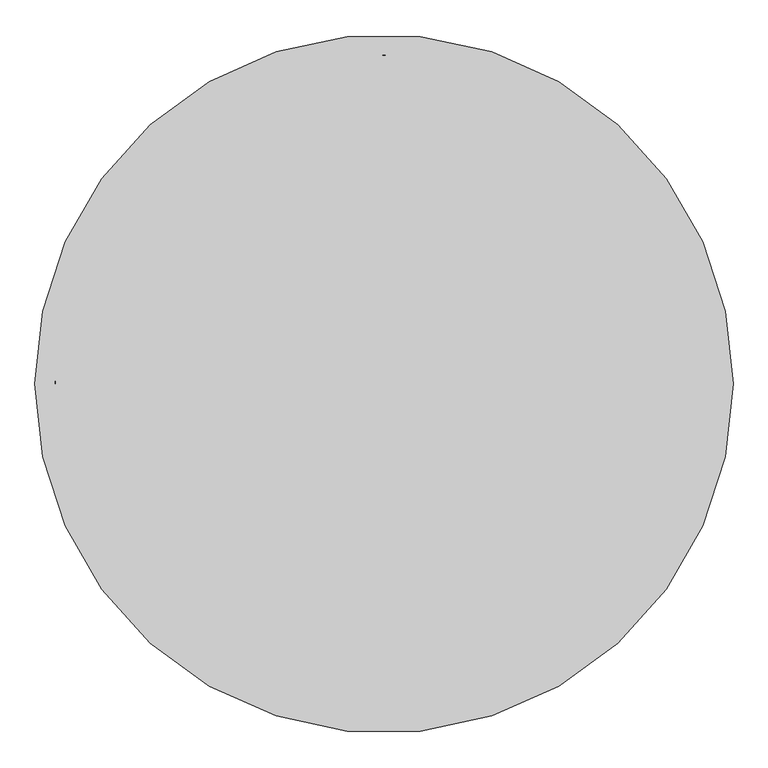
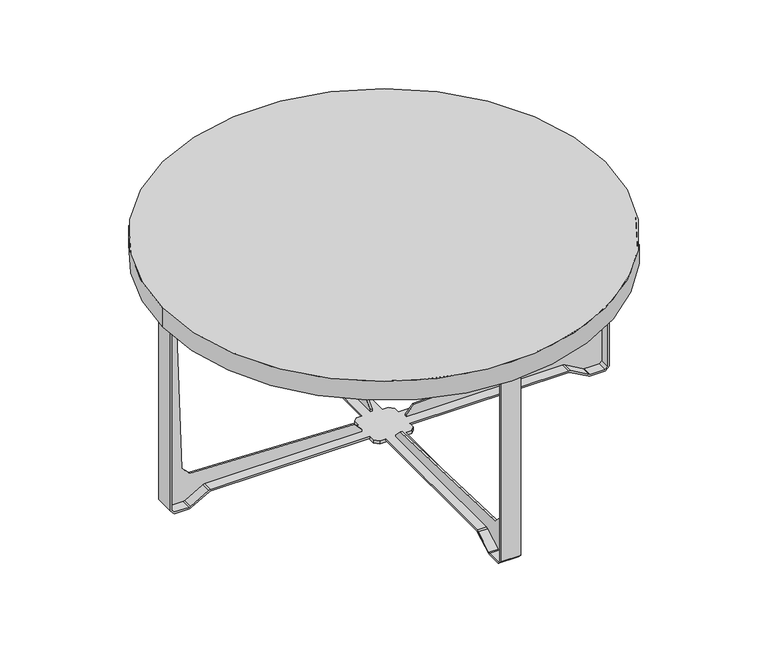
"""IFC4 building model written with IfcOpenShell, lengths in millimetres: furniture geometry."""

from ifc_helpers import new_model, si_unit, frame, origin, place, context, project, spatial, polyline, circle_curve, outline, extrude, faceted_brep, source, transform, mapped, element, save
from ifc_brep_helpers import plane_surface, cylinder_surface, revolved_surface, advanced_brep


def furniture_af420fcf(model_context):
    return source(origin(), model_context, "Body", "SolidModel", [
        advanced_brep(
        [(-550.0007309, 0.0, 530.0999834), (550.0007309, 0.0, 530.0999834), (-550.0007309, 0.0, 479.9999891), (550.0007309, 0.0, 479.9999891), (-546.000975, 0.0, 479.9999891), (546.000975, 0.0, 479.9999891), (-546.000975, 0.0, 526.0000156), (546.000975, 0.0, 526.0000156)],
        [
            (0, 1, circle_curve(frame((0.0, 0.0, 530.0999834), z_axis=(0.0, 0.0, 1.0), x_axis=(1.0, 0.0, 0.0)), 550.0007309)),
            (1, 0, circle_curve(frame((0.0, 0.0, 530.0999834), z_axis=(0.0, 0.0, 1.0), x_axis=(1.0, 0.0, 0.0)), 550.0007309)),
            (2, 3, circle_curve(frame((0.0, 0.0, 479.9999891), z_axis=(0.0, 0.0, -1.0), x_axis=(1.0, 0.0, 0.0)), 550.0007309)),
            (3, 2, circle_curve(frame((0.0, 0.0, 479.9999891), z_axis=(0.0, 0.0, -1.0), x_axis=(1.0, 0.0, 0.0)), 550.0007309)),
            (4, 5, circle_curve(frame((0.0, 0.0, 479.9999891), z_axis=(0.0, 0.0, 1.0), x_axis=(1.0, 0.0, 0.0)), 546.000975)),
            (5, 4, circle_curve(frame((0.0, 0.0, 479.9999891), z_axis=(0.0, 0.0, 1.0), x_axis=(1.0, 0.0, 0.0)), 546.000975)),
            (0, 2),
            (3, 1),
            (6, 7, circle_curve(frame((0.0, 0.0, 526.0000156), z_axis=(0.0, 0.0, -1.0), x_axis=(1.0, 0.0, 0.0)), 546.000975)),
            (7, 6, circle_curve(frame((0.0, 0.0, 526.0000156), z_axis=(0.0, 0.0, -1.0), x_axis=(1.0, 0.0, 0.0)), 546.000975)),
            (7, 5),
            (4, 6),
        ],
        [
            plane_surface(frame((550.0007309, 0.0, 530.0999834), z_axis=(0.0, 0.0, 1.0), x_axis=(0.0, 1.0, 0.0))),
            plane_surface(frame((550.0007309, 0.0, 479.9999891), z_axis=(0.0, 0.0, -1.0), x_axis=(0.0, -1.0, 0.0))),
            cylinder_surface(frame((0.0, 0.0, 479.9999891), z_axis=(0.0, 0.0, 1.0), x_axis=(1.0, 0.0, 0.0)), 550.0007309),
            plane_surface(frame((546.000975, 0.0, 526.0000156), z_axis=(0.0, 0.0, -1.0), x_axis=(0.0, 1.0, 0.0))),
            revolved_surface(polyline([(546.000975, 0.0, 526.0000156), (546.000975, 0.0, 479.9999891)]), (0.0, 0.0, 447.0), (0.0, 0.0, 1.0)),
        ],
        [
            (0, [[1, 2]]),
            (1, [[3, 4], [5, 6]]),
            (2, [[-1, 7, -4, 8]]),
            (2, [[-2, -8, -3, -7]]),
            (3, [[9, 10]]),
            (4, [[-10, 11, -5, 12]]),
            (4, [[-9, -12, -6, -11]]),
        ],
    ),
        faceted_brep([(-545.5010056, -25.0000002, 524.0189956), (-545.5010056, -25.0000002, 10.2005402), (-535.3004654, -25.0000002, 0.0), (-498.2329615, -25.0000002, 0.0), (-493.1332718, -25.0000002, 1.3665409), (-447.6387678, -25.0000002, 27.633231), (-444.5374008, -25.0000002, 28.4641011), (-50.0010178, -25.0000002, 28.4641011), (-50.0010178, -25.0000002, 32.4641022), (-444.5374008, -25.0000002, 32.4641022), (-449.6382523, -25.0000002, 31.0975613), (-495.1331497, -25.0000002, 4.8306423), (-498.2329605, -25.0000002, 4.0), (-535.3000873, -25.0000002, 4.0), (-541.500087, -25.0000002, 10.1999997), (-541.500087, -25.0000002, 524.0189956), (444.5374008, -25.0000002, 28.4641011), (447.6387678, -25.0000002, 27.633231), (493.1332718, -25.0000002, 1.3665409), (498.2329615, -25.0000002, 0.0), (535.3004654, -25.0000002, 0.0), (545.5010056, -25.0000002, 10.2005402), (545.5010056, -25.0000002, 524.0189956), (541.500087, -25.0000002, 524.0189956), (541.500087, -25.0000002, 10.1999997), (535.3000873, -25.0000002, 4.0), (498.2329605, -25.0000002, 4.0), (495.1331497, -25.0000002, 4.8306423), (449.6382523, -25.0000002, 31.0975613), (444.5374008, -25.0000002, 32.4641022), (49.999855, -25.0000002, 32.4641022), (49.999855, -25.0000002, 28.4641011), (-545.5010056, 25.0000002, 524.0189956), (-541.500087, 25.0000002, 524.0189956), (-541.500087, 25.0000002, 10.1999997), (-535.3000873, 25.0000002, 4.0), (-498.2329605, 25.0000002, 4.0), (-495.1331497, 25.0000002, 4.8306423), (-449.6382523, 25.0000002, 31.0975613), (-444.5374008, 25.0000002, 32.4641022), (-50.0010178, 25.0000002, 32.4641022), (-50.0010178, 25.0000002, 28.4641011), (-444.5374008, 25.0000002, 28.4641011), (-447.6387678, 25.0000002, 27.633231), (-493.1332718, 25.0000002, 1.3665409), (-498.2329615, 25.0000002, 0.0), (-535.3004654, 25.0000002, 0.0), (-545.5010056, 25.0000002, 10.2005402), (444.5374008, 25.0000002, 32.4641022), (449.6382523, 25.0000002, 31.0975613), (495.1331497, 25.0000002, 4.8306423), (498.2329605, 25.0000002, 4.0), (535.3000873, 25.0000002, 4.0), (541.500087, 25.0000002, 10.1999997), (541.500087, 25.0000002, 524.0189956), (545.5010056, 25.0000002, 524.0189956), (545.5010056, 25.0000002, 10.2005402), (535.3004654, 25.0000002, 0.0), (498.2329615, 25.0000002, 0.0), (493.1332718, 25.0000002, 1.3665409), (447.6387678, 25.0000002, 27.633231), (444.5374008, 25.0000002, 28.4641011), (49.999855, 25.0000002, 28.4641011), (49.999855, 25.0000002, 32.4641022), (49.999855, 39.999993, 32.4641022), (39.9998477, 50.0000004, 32.4641022), (25.0000002, 50.0000004, 32.4641022), (25.0000002, 444.5374008, 32.4641022), (-25.0000002, 444.5374008, 32.4641022), (-25.0000002, 50.0000004, 32.4641022), (-40.0010104, 50.0000004, 32.4641022), (-50.0010178, 39.999993, 32.4641022), (-50.0010178, -39.999993, 32.4641022), (-40.0010104, -50.0000004, 32.4641022), (-25.0000002, -50.0000004, 32.4641022), (-25.0000002, -444.5374008, 32.4641022), (25.0000002, -444.5374008, 32.4641022), (25.0000002, -50.0000004, 32.4641022), (39.9993027, -50.0000004, 32.4641022), (49.999855, -39.999448, 32.4641022), (-40.0010104, 50.0000004, 24.4641022), (39.9998477, 50.0000004, 24.4641022), (49.999855, 39.999993, 24.4641022), (49.999855, -39.999448, 24.4641022), (39.9993027, -50.0000004, 24.4641022), (-40.0010104, -50.0000004, 24.4641022), (-50.0010178, -39.999993, 24.4641022), (-50.0010178, 39.999993, 24.4641022), (25.0000002, -50.0000004, 28.4641011), (-25.0000002, -50.0000004, 28.4641011), (-25.0000002, 50.0000004, 28.4641011), (25.0000002, 50.0000004, 28.4641011), (-25.0000002, 545.5010056, 524.0189956), (-25.0000002, 545.5010056, 10.2005402), (-25.0000002, 535.3004654, 0.0), (-25.0000002, 498.2329615, 0.0), (-25.0000002, 493.1332718, 1.3665409), (-25.0000002, 447.6387678, 27.633231), (-25.0000002, 444.5374008, 28.4641011), (-25.0000002, 449.6382523, 31.0975613), (-25.0000002, 495.1331497, 4.8306423), (-25.0000002, 498.2329605, 4.0), (-25.0000002, 535.3000873, 4.0), (-25.0000002, 541.500087, 10.1999997), (-25.0000002, 541.500087, 524.0189956), (-25.0000002, -444.5374008, 28.4641011), (-25.0000002, -447.6387678, 27.633231), (-25.0000002, -493.1332718, 1.3665409), (-25.0000002, -498.2329615, 0.0), (-25.0000002, -535.3004654, 0.0), (-25.0000002, -545.5010056, 10.2005402), (-25.0000002, -545.5010056, 524.0189956), (-25.0000002, -541.500087, 524.0189956), (-25.0000002, -541.500087, 10.1999997), (-25.0000002, -535.3000873, 4.0), (-25.0000002, -498.2329605, 4.0), (-25.0000002, -495.1331497, 4.8306423), (-25.0000002, -449.6382523, 31.0975613), (25.0000002, 545.5010056, 524.0189956), (25.0000002, 541.500087, 524.0189956), (25.0000002, 541.500087, 10.1999997), (25.0000002, 535.3000873, 4.0), (25.0000002, 498.2329605, 4.0), (25.0000002, 495.1331497, 4.8306423), (25.0000002, 449.6382523, 31.0975613), (25.0000002, 444.5374008, 28.4641011), (25.0000002, 447.6387678, 27.633231), (25.0000002, 493.1332718, 1.3665409), (25.0000002, 498.2329615, 0.0), (25.0000002, 535.3004654, 0.0), (25.0000002, 545.5010056, 10.2005402), (25.0000002, -449.6382523, 31.0975613), (25.0000002, -495.1331497, 4.8306423), (25.0000002, -498.2329605, 4.0), (25.0000002, -535.3000873, 4.0), (25.0000002, -541.500087, 10.1999997), (25.0000002, -541.500087, 524.0189956), (25.0000002, -545.5010056, 524.0189956), (25.0000002, -545.5010056, 10.2005402), (25.0000002, -535.3004654, 0.0), (25.0000002, -498.2329615, 0.0), (25.0000002, -493.1332718, 1.3665409), (25.0000002, -447.6387678, 27.633231), (25.0000002, -444.5374008, 28.4641011)], [[[0, 1, 2, 3, 4, 5, 6, 7, 8, 9, 10, 11, 12, 13, 14, 15]], [[16, 17, 18, 19, 20, 21, 22, 23, 24, 25, 26, 27, 28, 29, 30, 31]], [[32, 33, 34, 35, 36, 37, 38, 39, 40, 41, 42, 43, 44, 45, 46, 47]], [[48, 49, 50, 51, 52, 53, 54, 55, 56, 57, 58, 59, 60, 61, 62, 63]], [[1, 0, 32, 47]], [[2, 1, 47, 46]], [[3, 2, 46, 45]], [[4, 3, 45, 44]], [[5, 4, 44, 43]], [[6, 5, 43, 42]], [[6, 42, 41, 7]], [[61, 16, 31, 62]], [[17, 16, 61, 60]], [[18, 17, 60, 59]], [[19, 18, 59, 58]], [[20, 19, 58, 57]], [[21, 20, 57, 56]], [[22, 21, 56, 55]], [[23, 22, 55, 54]], [[24, 23, 54, 53]], [[25, 24, 53, 52]], [[26, 25, 52, 51]], [[27, 26, 51, 50]], [[28, 27, 50, 49]], [[29, 28, 49, 48]], [[29, 48, 63, 64, 65, 66, 67, 68, 69, 70, 71, 40, 39, 9, 8, 72, 73, 74, 75, 76, 77, 78, 79, 30]], [[10, 9, 39, 38]], [[11, 10, 38, 37]], [[12, 11, 37, 36]], [[13, 12, 36, 35]], [[14, 13, 35, 34]], [[15, 14, 34, 33]], [[0, 15, 33, 32]], [[80, 81, 82, 83, 84, 85, 86, 87]], [[71, 70, 80, 87]], [[87, 86, 72, 8, 7, 41, 40, 71]], [[73, 72, 86, 85]], [[85, 84, 78, 77, 88, 89, 74, 73]], [[79, 78, 84, 83]], [[83, 82, 64, 63, 62, 31, 30, 79]], [[65, 64, 82, 81]], [[81, 80, 70, 69, 90, 91, 66, 65]], [[92, 93, 94, 95, 96, 97, 98, 90, 69, 68, 99, 100, 101, 102, 103, 104]], [[105, 106, 107, 108, 109, 110, 111, 112, 113, 114, 115, 116, 117, 75, 74, 89]], [[118, 119, 120, 121, 122, 123, 124, 67, 66, 91, 125, 126, 127, 128, 129, 130]], [[76, 131, 132, 133, 134, 135, 136, 137, 138, 139, 140, 141, 142, 143, 88, 77]], [[93, 92, 118, 130]], [[94, 93, 130, 129]], [[95, 94, 129, 128]], [[96, 95, 128, 127]], [[97, 96, 127, 126]], [[98, 97, 126, 125]], [[98, 125, 91, 90]], [[143, 105, 89, 88]], [[106, 105, 143, 142]], [[107, 106, 142, 141]], [[108, 107, 141, 140]], [[109, 108, 140, 139]], [[110, 109, 139, 138]], [[111, 110, 138, 137]], [[112, 111, 137, 136]], [[113, 112, 136, 135]], [[114, 113, 135, 134]], [[115, 114, 134, 133]], [[116, 115, 133, 132]], [[117, 116, 132, 131]], [[75, 117, 131, 76]], [[99, 68, 67, 124]], [[100, 99, 124, 123]], [[101, 100, 123, 122]], [[102, 101, 122, 121]], [[103, 102, 121, 120]], [[104, 103, 120, 119]], [[92, 104, 119, 118]]]),
        extrude(outline(polyline([(517.6445663, 523.9999924), (541.500087, 523.9999924), (541.500087, 10.1999997), (535.3000873, 4.0), (498.2329605, 4.0), (495.1331497, 4.8306423), (449.6382523, 31.0975613), (444.5374008, 32.4641022), (55.0007126, 32.4641022), (55.0007126, 38.150324), (74.3030228, 58.1381437), (483.0672871, 72.4125292), (502.3571274, 91.7023695), (517.6445663, 523.9999924)])), frame((-2.0000051, 0.0, 0.0), z_axis=(1.0, 0.0, 0.0), x_axis=(0.0, 1.0, 0.0)), (0.0, 0.0, 1.0), 4.0000102),
        extrude(outline(polyline([(-517.6445663, 523.9999924), (-502.3571274, 91.7023695), (-483.0672871, 72.4125292), (-74.3030228, 58.1381437), (-55.0007126, 38.150324), (-55.0007126, 32.4641022), (-444.5374008, 32.4641022), (-449.6382523, 31.0975613), (-495.1331497, 4.8306423), (-498.2329605, 4.0), (-535.3000873, 4.0), (-541.500087, 10.1999997), (-541.500087, 523.9999924), (-517.6445663, 523.9999924)])), frame((-2.0000051, 0.0, 0.0), z_axis=(1.0, 0.0, 0.0), x_axis=(0.0, 1.0, 0.0)), (0.0, 0.0, 1.0), 4.0000102),
        extrude(outline(polyline([(523.9999924, -517.6445663), (523.9999924, -541.500087), (10.1999997, -541.500087), (4.0, -535.3000873), (4.0, -498.2329605), (4.8306423, -495.1331497), (31.0975613, -449.6382523), (32.4641022, -444.5374008), (32.4641022, -55.0007126), (38.150324, -55.0007126), (58.1381437, -74.3030228), (72.4125292, -483.0672871), (91.7023695, -502.3571274), (523.9999924, -517.6445663)])), frame((0.0, 0.0, 0.0), z_axis=(0.0, 1.0, 0.0), x_axis=(0.0, 0.0, 1.0)), (0.0, 0.0, 1.0), 4.0000102),
        extrude(outline(polyline([(523.9999924, 517.6445663), (91.7023695, 502.3571274), (72.4125292, 483.0672871), (58.1381437, 74.3030228), (38.150324, 55.0007126), (32.4641022, 55.0007126), (32.4641022, 444.5374008), (31.0975613, 449.6382523), (4.8306423, 495.1331497), (4.0, 498.2329605), (4.0, 535.3000873), (10.1999997, 541.500087), (523.9999924, 541.500087), (523.9999924, 517.6445663)])), frame((0.0, 0.0, 0.0), z_axis=(0.0, 1.0, 0.0), x_axis=(0.0, 0.0, 1.0)), (0.0, 0.0, 1.0), 4.0000102),
    ])


if __name__ == "__main__":
    model = new_model("IFC4")
    model_context = context("Model", 3, world=origin())
    ifc_project = project(units=[si_unit("LENGTHUNIT", "METRE", prefix="MILLI")], contexts=[model_context])
    site = spatial("IfcSite", under=ifc_project)
    building = spatial("IfcBuilding", under=site)
    placement = place(None, origin())
    furniture_shape = furniture_af420fcf(model_context)
    element("IfcFurniture", 1, at=placement, inside=building, context=model_context, shape_type="MappedRepresentation", body=[
        mapped(furniture_shape, transform((0.0, 0.0, 0.0), x_axis=(1.0, 0.0, 0.0), y_axis=(0.0, 1.0, 0.0), z_axis=(0.0, 0.0, 1.0))),
    ])
    save(model, "model.ifc")
